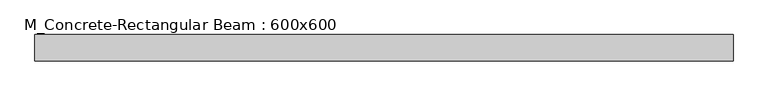
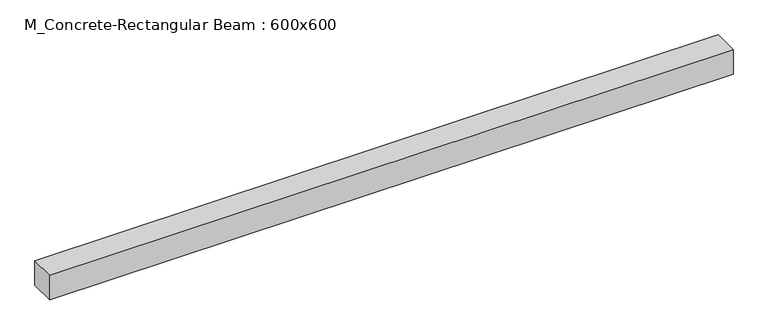
"""IFC4 building model written with IfcOpenShell, lengths in millimetres: beam geometry, M_Concrete-Rectangular Beam : 600x600."""

from ifc_helpers import new_model, si_unit, frame, origin, place, context, project, spatial, polyline, outline, extrude, source, transform, mapped, element, save


def m_concrete_rectangular_beam_600x600_ce18ed82(model_context):
    return source(origin(), model_context, "Body", "SweptSolid", [
        extrude(outline(polyline([(7950.0, 300.0), (7950.0, -300.0), (-7950.0, -300.0), (-7950.0, 300.0), (7950.0, 300.0)])), frame((0.0, 0.0, -300.0), z_axis=(0.0, 0.0, 1.0), x_axis=(1.0, 0.0, 0.0)), (0.0, 0.0, 1.0), 600.0),
    ])


if __name__ == "__main__":
    model = new_model("IFC4")
    model_context = context("Model", 3, world=origin())
    ifc_project = project(units=[si_unit("LENGTHUNIT", "METRE", prefix="MILLI")], contexts=[model_context])
    site = spatial("IfcSite", under=ifc_project)
    building = spatial("IfcBuilding", under=site)
    placement = place(None, origin())
    m_concrete_rectangular_beam_600x600_shape = m_concrete_rectangular_beam_600x600_ce18ed82(model_context)
    element("IfcBeam", 1, ObjectType="M_Concrete-Rectangular Beam : 600x600", at=placement, inside=building, context=model_context, shape_type="MappedRepresentation", body=[
        mapped(m_concrete_rectangular_beam_600x600_shape, transform((0.0, 0.0, 0.0), x_axis=(1.0, 0.0, 0.0), y_axis=(0.0, 1.0, 0.0), z_axis=(0.0, 0.0, 1.0))),
    ])
    save(model, "model.ifc")
